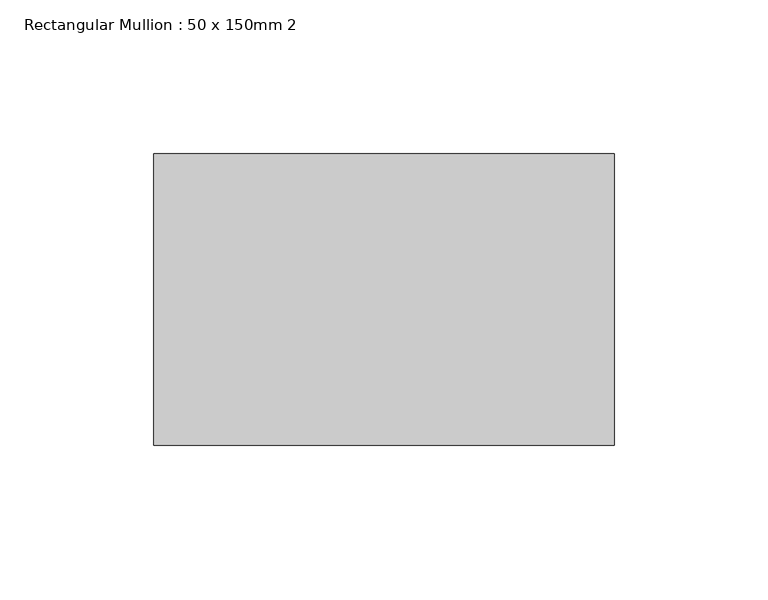
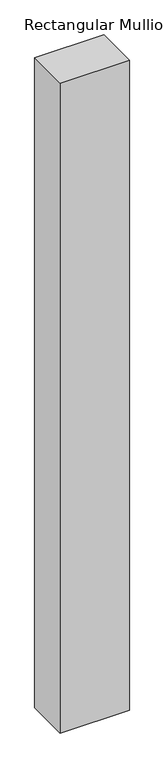
"""IFC4 building model written with IfcOpenShell, lengths in millimetres: member geometry, Rectangular Mullion : 50 x 150mm 2."""

from ifc_helpers import new_model, si_unit, frame, origin, place, context, project, spatial, polyline, outline, extrude, source, transform, mapped, element, save


def rectangular_mullion_50_x_150mm_2_bed38470(model_context):
    return source(origin(), model_context, "Body", "SweptSolid", [
        extrude(outline(polyline([(0.0, 47.5), (0.0, -47.5), (-150.0, -47.5), (-150.0, 47.5), (0.0, 47.5)])), frame((0.0, 0.0, -1487.0), z_axis=(0.0, 0.0, 1.0), x_axis=(1.0, 0.0, 0.0)), (0.0, 0.0, 1.0), 1487.0),
    ])


if __name__ == "__main__":
    model = new_model("IFC4")
    model_context = context("Model", 3, world=origin())
    ifc_project = project(units=[si_unit("LENGTHUNIT", "METRE", prefix="MILLI")], contexts=[model_context])
    site = spatial("IfcSite", under=ifc_project)
    building = spatial("IfcBuilding", under=site)
    placement = place(None, origin())
    rectangular_mullion_50_x_150mm_2_shape = rectangular_mullion_50_x_150mm_2_bed38470(model_context)
    element("IfcMember", 1, ObjectType="Rectangular Mullion : 50 x 150mm 2", at=placement, inside=building, context=model_context, shape_type="MappedRepresentation", body=[
        mapped(rectangular_mullion_50_x_150mm_2_shape, transform((0.0, 0.0, 0.0), x_axis=(1.0, 0.0, 0.0), y_axis=(0.0, 1.0, 0.0), z_axis=(0.0, 0.0, 1.0))),
    ])
    save(model, "model.ifc")
